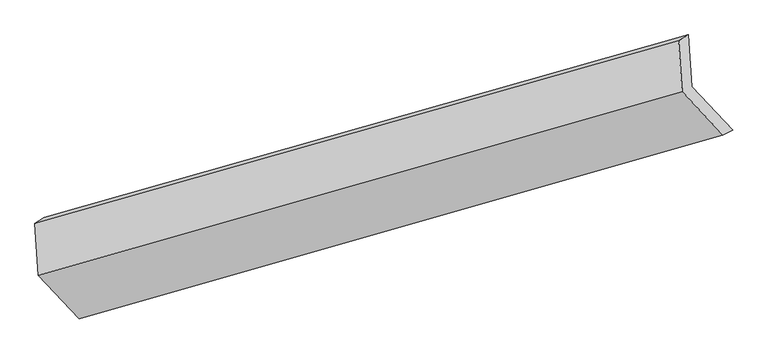
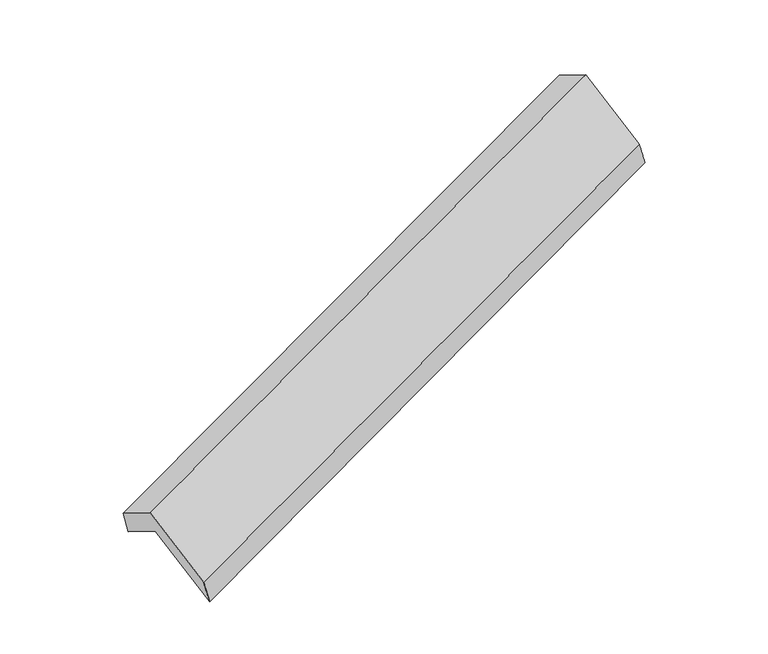
"""IFC4 building model written with IfcOpenShell, lengths in millimetres: proxy geometry."""

from ifc_helpers import new_model, si_unit, frame, origin, place, context, project, spatial, source, transform, mapped, element, save
from ifc_brep_helpers import plane_surface, spline_surface, advanced_brep


def generic_models_f8e5ba00(model_context):
    return source(origin(), model_context, "Body", "AdvancedBrep", [
        advanced_brep(
        [(-5071.2411717, -2118.3404763, 1279.0095896), (-5094.9388831, -1770.0783198, 1073.5759766), (-777.5600526, -544.5677103, 2653.0982632), (-753.8623411, -892.8298668, 2858.5318762), (-5159.1334155, -1810.1119452, 1281.2056525), (-841.754585, -584.6013357, 2860.727939), (-5135.4357041, -2158.3741017, 1486.6392654), (-818.6419557, -924.2651102, 3061.0895203), (-4861.5916547, -2450.1868738, 960.3533232), (-544.7979064, -1216.0778823, 2534.8035781), (-4793.2552004, -2414.5669492, 744.7635136), (-480.0182917, -1184.642639, 2332.2459339)],
        [
            (0, 1),
            (1, 2),
            (2, 3),
            (3, 0),
            (1, 4),
            (4, 5),
            (5, 2),
            (4, 6),
            (6, 7),
            (7, 5),
            (6, 8),
            (8, 9),
            (9, 7),
            (8, 10),
            (10, 11),
            (11, 9),
            (10, 0),
            (3, 11),
        ],
        [
            plane_surface(frame((-5083.0900274, -1944.209398, 1176.2927831), z_axis=(0.4161003668630082, -0.4408296671065035, -0.7953173513103052), x_axis=(-0.05850821637119183, 0.8598382034386033, -0.5072031669109893))),
            plane_surface(frame((-5127.0361493, -1790.0951325, 1177.3908146), z_axis=(-0.3021582250967624, 0.9490407125510655, 0.08956636046496667), x_axis=(-0.2904946735787916, -0.18116114409570236, 0.9395709044517543))),
            plane_surface(frame((-5147.2845598, -1984.2430234, 1383.922459), z_axis=(-0.41610036686300766, 0.4408296671065048, 0.7953173513103047), x_axis=(0.05850821637119132, -0.8598382034386026, 0.5072031669109904))),
            plane_surface(frame((-4998.5136794, -2304.2804877, 1223.4962943), z_axis=(0.06041718314004668, -0.8592968665063003, 0.507896307521403), x_axis=(0.4141921857366785, -0.4413700797172685, -0.7960133704938913))),
            spline_surface(1, 1, [[(-4861.5916547, -2450.1868738, 960.3533232), (-544.7979064, -1216.0778823, 2534.8035781)], [(-4793.2552004, -2414.5669492, 744.7635136), (-480.0182917, -1184.642639, 2332.2459339)]], [2, 2], [2, 2], [0.0, 1.0], [0.0, 1.0]),
            plane_surface(frame((-4932.2481861, -2266.4537127, 1011.8865516), z_axis=(-0.05850821637119377, 0.8598382034386054, -0.5072031669109859), x_axis=(-0.4141921857366785, 0.4413700797172686, 0.7960133704938912))),
            plane_surface(frame((-702.7725221, -891.1640907, 2716.7495184), z_axis=(0.9083070086109294, 0.2566529108306441, 0.33031448873826713), x_axis=(0.30133582773688466, 0.1462275615027121, -0.9422389395366216))),
            plane_surface(frame((-5019.2660049, -2120.2764443, 1137.5912202), z_axis=(-0.9083070086109278, -0.25665291083065733, -0.33031448873826075), x_axis=(0.4141921857366794, -0.4413700797172627, -0.796013370493894))),
        ],
        [
            (0, [[1, 2, 3, 4]]),
            (1, [[5, 6, 7, -2]]),
            (2, [[8, 9, 10, -6]]),
            (3, [[11, 12, 13, -9]]),
            (4, [[14, 15, 16, -12]]),
            (5, [[17, -4, 18, -15]]),
            (6, [[-16, -18, -3, -7, -10, -13]]),
            (7, [[-17, -14, -11, -8, -5, -1]]),
        ],
    ),
    ])


if __name__ == "__main__":
    model = new_model("IFC4")
    model_context = context("Model", 3, world=origin())
    ifc_project = project(units=[si_unit("LENGTHUNIT", "METRE", prefix="MILLI")], contexts=[model_context])
    site = spatial("IfcSite", under=ifc_project)
    building = spatial("IfcBuilding", under=site)
    placement = place(None, origin())
    generic_models_shape = generic_models_f8e5ba00(model_context)
    element("IfcBuildingElementProxy", 1, Name="Generic Models", at=placement, inside=building, context=model_context, shape_type="MappedRepresentation", body=[
        mapped(generic_models_shape, transform((0.0, 0.0, 0.0), x_axis=(1.0, 0.0, 0.0), y_axis=(0.0, 1.0, 0.0), z_axis=(0.0, 0.0, 1.0))),
    ])
    save(model, "model.ifc")
